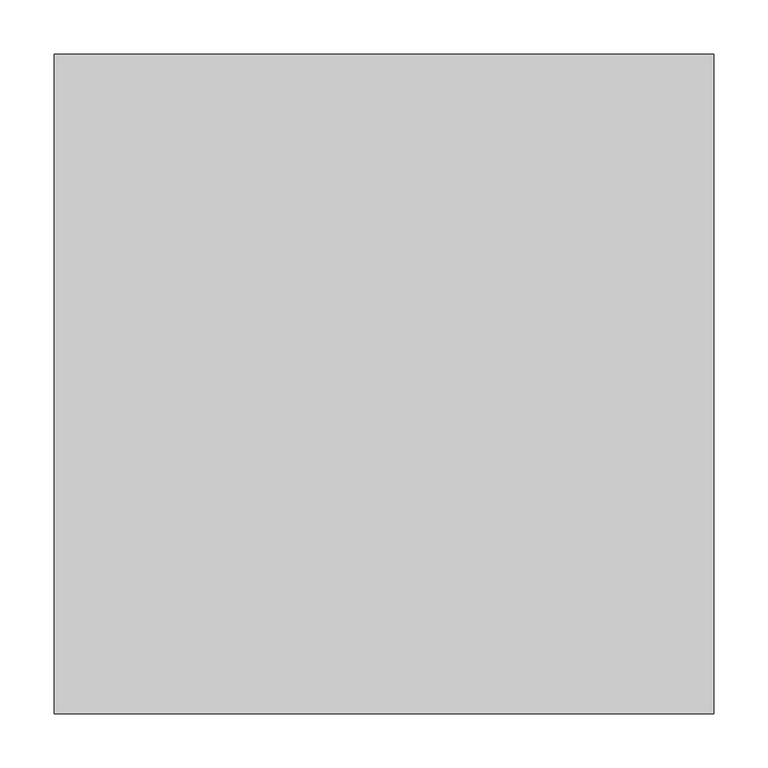
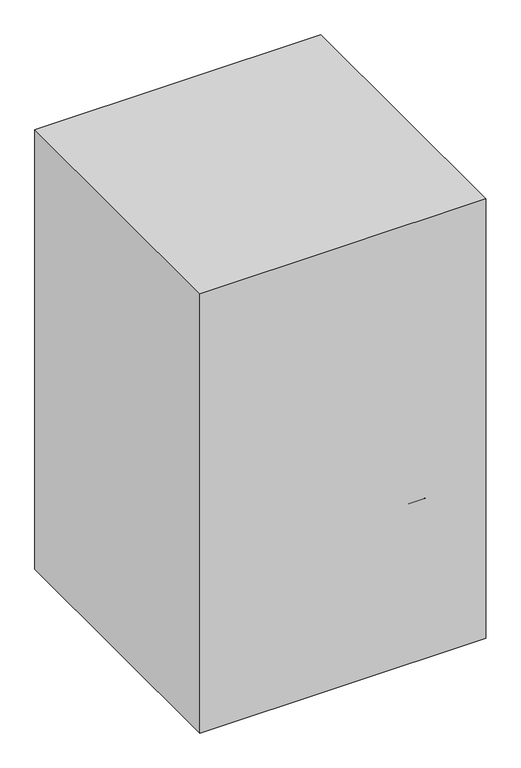
"""IFC4 building model written with IfcOpenShell, lengths in millimetres: proxy geometry."""

from ifc_helpers import new_model, si_unit, point, frame, frame_2d, origin, origin_with_axes, place, context, project, spatial, polyline, circle_curve, ellipse_curve, trimmed, segment, composite_curve, outline, extrude, source, transform, mapped, element, save
from ifc_brep_helpers import plane_surface, cylinder_surface, revolved_surface, advanced_brep


def specialty_equipment_0317cfd4(model_context):
    return source(origin(), model_context, "Body", "SolidModel", [
        advanced_brep(
        [(20.5891067, -39.0088165, 158.3164474), (20.5891067, -39.0088165, 212.7487443), (12.606954, -21.8910347, 212.7487443), (12.606954, -21.8910347, 158.3164474), (283.7284885, 83.6950923, 57.6571213), (283.7284885, 83.6950923, 86.0096871), (287.501904, 95.8556376, 82.2734822), (275.3053581, 100.6072429, 86.2220806), (275.3053581, 100.6072429, 57.8258095), (287.501904, 95.8556376, 54.689734)],
        [
            (0, 1),
            (1, 2),
            (2, 3),
            (3, 0),
            (0, 4),
            (4, 5),
            (5, 1),
            (5, 6, ellipse_curve(frame((278.918781, 91.8532617, 86.4074773), z_axis=(0.3625792018206629, 0.16907345849670724, 0.9164881276039822), x_axis=(0.8306203267741233, 0.3873246193939933, -0.40006188516396646)), 10.333389, 9.4704283)),
            (6, 7, ellipse_curve(frame((278.918781, 91.8532617, 86.4074773), z_axis=(0.3625792018206629, 0.16907345849670724, 0.9164881276039822), x_axis=(0.8306203267741233, 0.3873246193939933, -0.40006188516396646)), 10.333389, 9.4704283)),
            (7, 2),
            (7, 8),
            (8, 3),
            (8, 9, ellipse_curve(frame((278.918781, 91.8532617, 57.9730562), z_axis=(-0.2968743688836678, -0.13843479172039067, -0.9448287768380342), x_axis=(0.8563056778646188, 0.3993018953098915, -0.3275646233321667)), 10.0234334, 9.4704283)),
            (9, 4, ellipse_curve(frame((278.918781, 91.8532617, 57.9730562), z_axis=(-0.2968743688836678, -0.13843479172039067, -0.9448287768380342), x_axis=(0.8563056778646188, 0.3993018953098915, -0.3275646233321667)), 10.0234334, 9.4704283)),
            (6, 9),
        ],
        [
            plane_surface(frame((16.5980304, -30.4499256, 185.5325958), z_axis=(-0.9063077870366449, -0.42261826174071043, 0.0), x_axis=(-0.42261826174071043, 0.9063077870366449, 0.0))),
            plane_surface(frame((20.5891067, -39.0088165, 185.5325958), z_axis=(0.4226182617407104, -0.9063077870366448, 0.0), x_axis=(0.0, 0.0, 1.0))),
            plane_surface(frame((16.5980304, -30.4499256, 212.7487443), z_axis=(0.36257920182066294, 0.16907345849670727, 0.9164881276039825), x_axis=(-0.42261826174071043, 0.9063077870366449, 0.0))),
            plane_surface(frame((12.606954, -21.8910347, 185.5325958), z_axis=(-0.4226182617407102, 0.906307787036645, 0.0), x_axis=(0.0, 0.0, -1.0))),
            plane_surface(frame((16.5980304, -30.4499256, 158.3164474), z_axis=(-0.29687436888366786, -0.1384347917203907, -0.9448287768380345), x_axis=(0.42261826174071043, -0.9063077870366449, 0.0))),
            cylinder_surface(frame((278.918781, 91.8532617, 0.0), z_axis=(0.0, 0.0, -1.0000000000000002), x_axis=(-0.9063077870366449, -0.42261826174071043, 0.0)), 9.4704283),
        ],
        [
            (0, [[1, 2, 3, 4]]),
            (1, [[5, 6, 7, -1]]),
            (2, [[-7, 8, 9, 10, -2]]),
            (3, [[-10, 11, 12, -3]]),
            (4, [[-12, 13, 14, -5, -4]]),
            (5, [[-13, -11, -9, 15]]),
            (5, [[-8, -6, -14, -15]]),
        ],
    ),
        extrude(outline(composite_curve([segment(trimmed(circle_curve(frame_2d((-0.4565328, -38.3009494)), 25.4), [point((24.9434672, -38.3009494))], [point((-25.8565328, -38.3009494))], False, "CARTESIAN"), True, "CONTINUOUS"), segment(trimmed(circle_curve(frame_2d((-0.4565328, -38.3009494)), 25.4), [point((-25.8565328, -38.3009494))], [point((24.9434672, -38.3009494))], False, "CARTESIAN"), True, "CONTINUOUS")], self_intersect=False)), frame((0.0, 0.0, 154.0271692), z_axis=(0.0, 0.0, 1.0), x_axis=(1.0, 0.0, 0.0)), (0.0, 0.0, 1.0), 58.7215752),
        advanced_brep(
        [(-229.5082147, 153.1947504, 328.6387079), (-229.5082147, 178.826585, 331.293346), (236.3508412, 177.6557493, 331.1720849), (232.0214447, 152.7605661, 328.5937403), (-229.5082147, 246.1177228, 855.6310718), (232.0214447, 245.7251028, 855.8218273), (236.3508412, 268.237077, 844.8843217), (-229.5082147, 269.2958289, 844.3699241)],
        [
            (0, 1, circle_curve(frame((-229.5082147, 166.0106677, 329.9660269), z_axis=(0.0, 0.10301698777210262, -0.9946795967699159), x_axis=(-1.0, 0.0, 0.0)), 12.8844679)),
            (1, 2, circle_curve(frame((0.0, -1168.6045098, 191.7425871), z_axis=(0.0, 0.10301698777210262, -0.9946795967699159), x_axis=(-1.0, 0.0, 0.0)), 1373.9428628)),
            (2, 3, circle_curve(frame((232.0214447, 165.5806144, 329.9214872), z_axis=(0.0, 0.10301698777210262, -0.9946795967699159), x_axis=(-1.0, 0.0, 0.0)), 12.888621)),
            (3, 0, circle_curve(frame((0.0, -1168.6045098, 191.7425871), z_axis=(0.0, -0.10301698777210262, 0.9946795967699159), x_axis=(-1.0, 0.0, 0.0)), 1348.5428628)),
            (4, 5, circle_curve(frame((0.0, -949.1460573, 1436.3533187), z_axis=(0.0, -0.4370047614753844, -0.8994591922082082), x_axis=(-1.0, 0.0, 0.0)), 1348.5428628)),
            (5, 6, circle_curve(frame((232.0214447, 257.3178914, 850.1894385), z_axis=(0.0, 0.4370047614753844, 0.8994591922082082), x_axis=(-1.0, 0.0, 0.0)), 12.888621)),
            (6, 7, circle_curve(frame((0.0, -949.1460573, 1436.3533187), z_axis=(0.0, 0.4370047614753844, 0.8994591922082082), x_axis=(-1.0, 0.0, 0.0)), 1373.9428628)),
            (7, 4, circle_curve(frame((-229.5082147, 257.7067759, 850.0004979), z_axis=(0.0, 0.4370047614753844, 0.8994591922082082), x_axis=(-1.0, 0.0, 0.0)), 12.8844679)),
            (4, 0, circle_curve(frame((-229.5082147, 1123.8751957, 429.1701512), z_axis=(1.0, 0.0, 0.0), x_axis=(0.0, -0.9946795967699159, -0.10301698777210261)), 975.8724803)),
            (3, 5, circle_curve(frame((232.0214447, 1123.8751957, 429.1701512), z_axis=(-1.0, 0.0, 0.0), x_axis=(0.0, -0.9946795967699159, -0.10301698777210261)), 976.308987)),
            (2, 6, circle_curve(frame((236.3508412, 1123.8751957, 429.1701512), z_axis=(-1.0, 0.0, 0.0), x_axis=(0.0, -0.9946795967699159, -0.10301698777210261)), 951.280643)),
            (1, 7, circle_curve(frame((-229.5082147, 1123.8751957, 429.1701512), z_axis=(-1.0, 0.0, 0.0), x_axis=(0.0, -0.9946795967699159, -0.10301698777210261)), 950.1035446)),
        ],
        [
            plane_surface(frame((-317.5, 135.0564347, 326.7601586), z_axis=(0.0, 0.10301698777210258, -0.994679596769916), x_axis=(-1.0, 0.0, 0.0))),
            plane_surface(frame((-317.5, 229.715783, 863.6), z_axis=(0.0, 0.4370047614753844, 0.8994591922082082), x_axis=(-1.0, 0.0, 0.0))),
            revolved_surface(trimmed(ellipse_curve(frame((0.0, -1168.6045098, 191.7425871), z_axis=(0.0, 0.10301698777210262, -0.9946795967699159), x_axis=(-1.0, 0.0, 0.0)), 1348.5428628, 1348.5428628), [point((-229.5082147, 153.1947504, 328.6387079))], [point((232.0214447, 152.7605661, 328.5937403))], True, "CARTESIAN"), (-317.5, 1123.8751957, 429.1701512), (1.0, 0.0, 0.0)),
            revolved_surface(trimmed(ellipse_curve(frame((232.0214447, 165.5806144, 329.9214872), z_axis=(0.0, -0.10301698777210262, 0.9946795967699159), x_axis=(-1.0, 0.0, 0.0)), 12.888621, 12.888621), [point((232.0214447, 152.7605661, 328.5937403))], [point((236.3508412, 177.6557493, 331.1720849))], True, "CARTESIAN"), (-317.5, 1123.8751957, 429.1701512), (1.0, 0.0, 0.0)),
            revolved_surface(trimmed(ellipse_curve(frame((0.0, -1168.6045098, 191.7425871), z_axis=(0.0, -0.10301698777210262, 0.9946795967699159), x_axis=(-1.0, 0.0, 0.0)), 1373.9428628, 1373.9428628), [point((236.3508412, 177.6557493, 331.1720849))], [point((-229.5082147, 178.826585, 331.293346))], True, "CARTESIAN"), (-317.5, 1123.8751957, 429.1701512), (1.0, 0.0, 0.0)),
            revolved_surface(trimmed(ellipse_curve(frame((-229.5082147, 166.0106677, 329.9660269), z_axis=(0.0, -0.10301698777210262, 0.9946795967699159), x_axis=(-1.0, 0.0, 0.0)), 12.8844679, 12.8844679), [point((-229.5082147, 178.826585, 331.293346))], [point((-229.5082147, 153.1947504, 328.6387079))], True, "CARTESIAN"), (-317.5, 1123.8751957, 429.1701512), (1.0, 0.0, 0.0)),
        ],
        [
            (0, [[1, 2, 3, 4]]),
            (1, [[5, 6, 7, 8]]),
            (2, [[-5, 9, -4, 10]]),
            (3, [[-6, -10, -3, 11]]),
            (4, [[-7, -11, -2, 12]]),
            (5, [[-8, -12, -1, -9]]),
        ],
    ),
        extrude(outline(composite_curve([segment(polyline([(-213.079753, 135.9379297), (221.4112726, 135.9379297), (221.4112726, -221.0075832)]), True, "CONTINUOUS"), segment(trimmed(circle_curve(frame_2d((194.6657598, -221.0075832)), 26.7455128), [point((221.4112726, -221.0075832))], [point((194.6657598, -247.753096))], False, "CARTESIAN"), True, "CONTINUOUS"), segment(polyline([(194.6657598, -247.753096), (-186.3342402, -247.753096)]), True, "CONTINUOUS"), segment(trimmed(circle_curve(frame_2d((-186.3342402, -221.0075832)), 26.7455128), [point((-186.3342402, -247.753096))], [point((-213.079753, -221.0075832))], False, "CARTESIAN"), True, "CONTINUOUS"), segment(polyline([(-213.079753, -221.0075832), (-213.079753, 135.9379297)]), True, "CONTINUOUS")], self_intersect=False)), frame((0.0, 0.0, 324.0440254), z_axis=(0.0, 0.0, 1.0), x_axis=(1.0, 0.0, 0.0)), (0.0, 0.0, 1.0), 67.8491407),
        advanced_brep(
        [(-213.079753, 134.5924168, 391.8931661), (-213.079753, 134.5924168, 324.0440254), (-211.7342402, 135.9379297, 324.0440254), (-211.7342402, 135.9379297, 391.8931661), (-213.079753, -221.0075832, 391.8931661), (-213.079753, -221.0075832, 324.0440254), (-186.3342402, -247.753096, 391.8931661), (-186.3342402, -247.753096, 324.0440254), (194.6657598, -247.753096, 391.8931661), (194.6657598, -247.753096, 324.0440254), (221.4112726, -221.0075832, 391.8931661), (221.4112726, -221.0075832, 324.0440254), (221.4112726, 134.5924168, 391.8931661), (221.4112726, 134.5924168, 324.0440254), (220.0657598, 135.9379297, 391.8931661), (220.0657598, 135.9379297, 324.0440254)],
        [
            (0, 1),
            (1, 2, circle_curve(frame((-211.7342402, 134.5924168, 324.0440254), z_axis=(0.0, 0.0, -1.0), x_axis=(0.0, 1.0, 0.0)), 1.3455128)),
            (2, 3),
            (3, 0, circle_curve(frame((-211.7342402, 134.5924168, 391.8931661), z_axis=(0.0, 0.0, 1.0), x_axis=(0.0, 1.0, 0.0)), 1.3455128)),
            (1, 0, circle_curve(frame((-213.079753, 134.5924168, 357.9685958), z_axis=(0.0, 1.0, 0.0), x_axis=(1.0, 0.0, 0.0)), 33.9245703)),
            (3, 2, circle_curve(frame((-211.7342402, 135.9379297, 357.9685958), z_axis=(-1.0, 0.0, 0.0), x_axis=(0.0, -1.0, 0.0)), 33.9245703)),
            (0, 4),
            (4, 5),
            (5, 1),
            (5, 4, circle_curve(frame((-213.079753, -221.0075832, 357.9685958), z_axis=(0.0, 1.0, 0.0), x_axis=(1.0, 0.0, 0.0)), 33.9245703)),
            (6, 7),
            (7, 5, circle_curve(frame((-186.3342402, -221.0075832, 324.0440254), z_axis=(0.0, 0.0, -1.0), x_axis=(-1.0, 0.0, 0.0)), 26.7455128)),
            (4, 6, circle_curve(frame((-186.3342402, -221.0075832, 391.8931661), z_axis=(0.0, 0.0, 1.0), x_axis=(-1.0, 0.0, 0.0)), 26.7455128)),
            (7, 6, circle_curve(frame((-186.3342402, -247.753096, 357.9685958), z_axis=(-1.0, 0.0, 0.0), x_axis=(0.0, 1.0, 0.0)), 33.9245703)),
            (6, 8),
            (8, 9),
            (9, 7),
            (9, 8, circle_curve(frame((194.6657598, -247.753096, 357.9685958), z_axis=(-1.0, 0.0, 0.0), x_axis=(0.0, 1.0, 0.0)), 33.9245703)),
            (10, 11),
            (11, 9, circle_curve(frame((194.6657598, -221.0075832, 324.0440254), z_axis=(0.0, 0.0, -1.0), x_axis=(0.0, -1.0, 0.0)), 26.7455128)),
            (8, 10, circle_curve(frame((194.6657598, -221.0075832, 391.8931661), z_axis=(0.0, 0.0, 1.0), x_axis=(0.0, -1.0, 0.0)), 26.7455128)),
            (11, 10, circle_curve(frame((221.4112726, -221.0075832, 357.9685958), z_axis=(0.0, -1.0, 0.0), x_axis=(-1.0, 0.0, 0.0)), 33.9245703)),
            (10, 12),
            (12, 13),
            (13, 11),
            (13, 12, circle_curve(frame((221.4112726, 134.5924168, 357.9685958), z_axis=(0.0, -1.0, 0.0), x_axis=(-1.0, 0.0, 0.0)), 33.9245703)),
            (14, 15),
            (15, 13, circle_curve(frame((220.0657598, 134.5924168, 324.0440254), z_axis=(0.0, 0.0, -1.0), x_axis=(1.0, 0.0, 0.0)), 1.3455128)),
            (12, 14, circle_curve(frame((220.0657598, 134.5924168, 391.8931661), z_axis=(0.0, 0.0, 1.0), x_axis=(1.0, 0.0, 0.0)), 1.3455128)),
            (15, 14, circle_curve(frame((220.0657598, 135.9379297, 357.9685958), z_axis=(1.0, 0.0, 0.0), x_axis=(0.0, -1.0, 0.0)), 33.9245703)),
            (14, 3),
            (2, 15),
        ],
        [
            revolved_surface(polyline([(-211.7342402, 135.9379296, 324.0440254), (-211.7342402, 135.9379296, 391.8931661)]), (-211.7342402, 134.5924168, 0.0), (0.0, 0.0, -1.0)),
            revolved_surface(trimmed(ellipse_curve(frame((-211.7342402, 135.9379297, 357.9685958), z_axis=(-1.0, 0.0, 0.0), x_axis=(0.0, -1.0, 0.0)), 33.9245703, 33.9245703), [point((-211.7342402, 135.9379297, 391.8931661))], [point((-211.7342402, 135.9379297, 324.0440254))], True, "CARTESIAN"), (-211.7342402, 134.5924168, 0.0), (0.0, 0.0, -1.0)),
            plane_surface(frame((-213.079753, 134.5924168, 324.0440254), z_axis=(1.0, 0.0, 0.0), x_axis=(0.0, -1.0, 0.0))),
            cylinder_surface(frame((-213.079753, 134.5924168, 357.9685958), z_axis=(0.0, 1.0, 0.0), x_axis=(1.0, 0.0, 0.0)), 33.9245703),
            revolved_surface(polyline([(-213.079753, -221.0075832, 324.0440254), (-213.079753, -221.0075832, 391.8931661)]), (-186.3342402, -221.0075832, 0.0), (0.0, 0.0, -1.0)),
            revolved_surface(trimmed(ellipse_curve(frame((-213.079753, -221.0075832, 357.9685958), z_axis=(0.0, -1.0, 0.0), x_axis=(1.0, 0.0, 0.0)), 33.9245703, 33.9245703), [point((-213.079753, -221.0075832, 391.8931661))], [point((-213.079753, -221.0075832, 324.0440254))], True, "CARTESIAN"), (-186.3342402, -221.0075832, 0.0), (0.0, 0.0, -1.0)),
            plane_surface(frame((-186.3342402, -247.753096, 324.0440254), z_axis=(0.0, 1.0, 0.0), x_axis=(1.0, 0.0, 0.0))),
            cylinder_surface(frame((-186.3342402, -247.753096, 357.9685958), z_axis=(-1.0, 0.0, 0.0), x_axis=(0.0, 1.0, 0.0)), 33.9245703),
            revolved_surface(polyline([(194.6657598, -247.753096, 324.0440254), (194.6657598, -247.753096, 391.8931661)]), (194.6657598, -221.0075832, 0.0), (0.0, 0.0, -1.0)),
            revolved_surface(trimmed(ellipse_curve(frame((194.6657598, -247.753096, 357.9685958), z_axis=(1.0, 0.0, 0.0), x_axis=(0.0, 1.0, 0.0)), 33.9245703, 33.9245703), [point((194.6657598, -247.753096, 391.8931661))], [point((194.6657598, -247.753096, 324.0440254))], True, "CARTESIAN"), (194.6657598, -221.0075832, 0.0), (0.0, 0.0, -1.0)),
            plane_surface(frame((221.4112726, -221.0075832, 324.0440254), z_axis=(-1.0, 0.0, 0.0), x_axis=(0.0, 1.0, 0.0))),
            cylinder_surface(frame((221.4112726, -221.0075832, 357.9685958), z_axis=(0.0, -1.0, 0.0), x_axis=(-1.0, 0.0, 0.0)), 33.9245703),
            revolved_surface(polyline([(221.4112726, 134.5924168, 324.0440254), (221.4112726, 134.5924168, 391.8931661)]), (220.0657598, 134.5924168, 0.0), (0.0, 0.0, -1.0)),
            revolved_surface(trimmed(ellipse_curve(frame((221.4112726, 134.5924168, 357.9685958), z_axis=(0.0, 1.0, 0.0), x_axis=(-1.0, 0.0, 0.0)), 33.9245703, 33.9245703), [point((221.4112726, 134.5924168, 391.8931661))], [point((221.4112726, 134.5924168, 324.0440254))], True, "CARTESIAN"), (220.0657598, 134.5924168, 0.0), (0.0, 0.0, -1.0)),
            plane_surface(frame((220.0657598, 135.9379297, 324.0440254), z_axis=(0.0, -1.0, 0.0), x_axis=(-1.0, 0.0, 0.0))),
            cylinder_surface(frame((220.0657598, 135.9379297, 357.9685958), z_axis=(1.0, 0.0, 0.0), x_axis=(0.0, -1.0, 0.0)), 33.9245703),
        ],
        [
            (0, [[1, 2, 3, 4]]),
            (1, [[5, -4, 6, -2]]),
            (2, [[7, 8, 9, -1]]),
            (3, [[-9, 10, -7, -5]]),
            (4, [[11, 12, -8, 13]]),
            (5, [[14, -13, -10, -12]]),
            (6, [[15, 16, 17, -11]]),
            (7, [[-17, 18, -15, -14]]),
            (8, [[19, 20, -16, 21]]),
            (9, [[22, -21, -18, -20]]),
            (10, [[23, 24, 25, -19]]),
            (11, [[-25, 26, -23, -22]]),
            (12, [[27, 28, -24, 29]]),
            (13, [[30, -29, -26, -28]]),
            (14, [[31, -3, 32, -27]]),
            (15, [[-32, -6, -31, -30]]),
        ],
    ),
        extrude(outline(composite_curve([segment(trimmed(circle_curve(frame_2d((0.0, -38.1)), 12.7), [point((12.7, -38.1))], [point((-12.7, -38.1))], False, "CARTESIAN"), True, "CONTINUOUS"), segment(trimmed(circle_curve(frame_2d((0.0, -38.1)), 12.7), [point((-12.7, -38.1))], [point((12.7, -38.1))], False, "CARTESIAN"), True, "CONTINUOUS")], self_intersect=False)), frame((0.0, 0.0, 212.7487443), z_axis=(0.0, 0.0, 1.0), x_axis=(1.0, 0.0, 0.0)), (0.0, 0.0, 1.0), 66.217703),
        extrude(outline(polyline([(304.8, -304.8), (-304.8, -304.8), (-304.8, 304.8), (304.8, 304.8), (304.8, -304.8)])), origin_with_axes(), (0.0, 0.0, 1.0), 990.6),
    ])


if __name__ == "__main__":
    model = new_model("IFC4")
    model_context = context("Model", 3, world=origin())
    ifc_project = project(units=[si_unit("LENGTHUNIT", "METRE", prefix="MILLI")], contexts=[model_context])
    site = spatial("IfcSite", under=ifc_project)
    building = spatial("IfcBuilding", under=site)
    placement = place(None, origin())
    specialty_equipment_shape = specialty_equipment_0317cfd4(model_context)
    element("IfcBuildingElementProxy", 1, Name="Specialty Equipment", at=placement, inside=building, context=model_context, shape_type="MappedRepresentation", body=[
        mapped(specialty_equipment_shape, transform((0.0, 0.0, 0.0), x_axis=(1.0, 0.0, 0.0), y_axis=(0.0, 1.0, 0.0), z_axis=(0.0, 0.0, 1.0))),
    ])
    save(model, "model.ifc")
